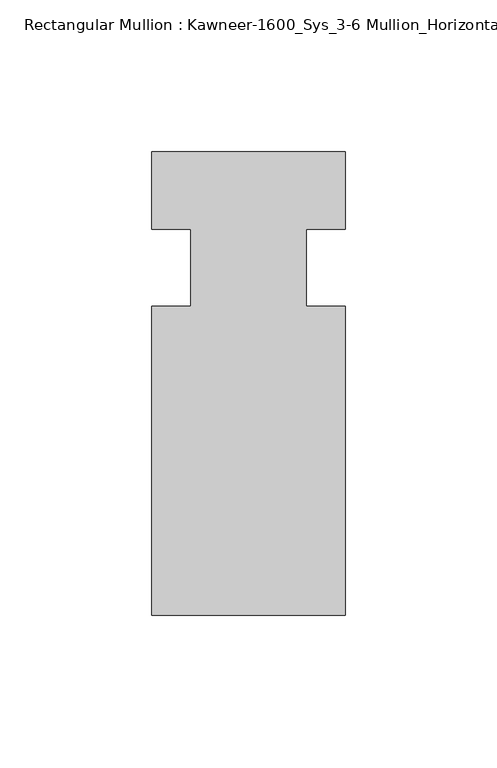
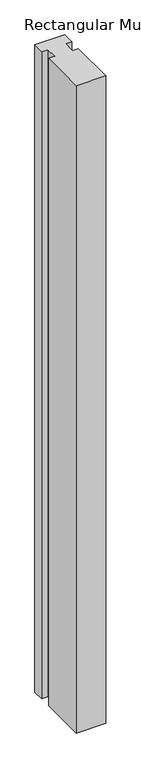
"""IFC4 building model written with IfcOpenShell, lengths in millimetres: member geometry, Rectangular Mullion : Kawneer-1600_Sys_3-6 Mullion_Horizontal."""

from ifc_helpers import new_model, si_unit, frame, origin, place, context, project, spatial, polyline, outline, extrude, source, transform, mapped, element, save


def rectangular_mullion_kawneer_1600_sys_3_6_mullion_horizontal_78cf1012(model_context):
    return source(origin(), model_context, "Body", "SweptSolid", [
        extrude(outline(polyline([(36.0844027, -114.3), (-27.4155973, -114.3), (-27.4155973, -12.7), (-14.7155973, -12.7), (-14.7155973, 12.7), (-27.4155973, 12.7), (-27.4155973, 38.1), (36.0844027, 38.1), (36.0844027, 12.7), (23.3826322, 12.7), (23.3826322, -12.7), (36.0844027, -12.7), (36.0844027, -114.3)])), frame((0.0, 0.0, -1460.5), z_axis=(0.0, 0.0, 1.0), x_axis=(1.0, 0.0, 0.0)), (0.0, 0.0, 1.0), 1460.5),
    ])


if __name__ == "__main__":
    model = new_model("IFC4")
    model_context = context("Model", 3, world=origin())
    ifc_project = project(units=[si_unit("LENGTHUNIT", "METRE", prefix="MILLI")], contexts=[model_context])
    site = spatial("IfcSite", under=ifc_project)
    building = spatial("IfcBuilding", under=site)
    placement = place(None, origin())
    rectangular_mullion_kawneer_1600_sys_3_6_mullion_horizontal_shape = rectangular_mullion_kawneer_1600_sys_3_6_mullion_horizontal_78cf1012(model_context)
    element("IfcMember", 1, ObjectType="Rectangular Mullion : Kawneer-1600_Sys_3-6 Mullion_Horizontal", at=placement, inside=building, context=model_context, shape_type="MappedRepresentation", body=[
        mapped(rectangular_mullion_kawneer_1600_sys_3_6_mullion_horizontal_shape, transform((0.0, 0.0, 0.0), x_axis=(1.0, 0.0, 0.0), y_axis=(0.0, 1.0, 0.0), z_axis=(0.0, 0.0, 1.0))),
    ])
    save(model, "model.ifc")
